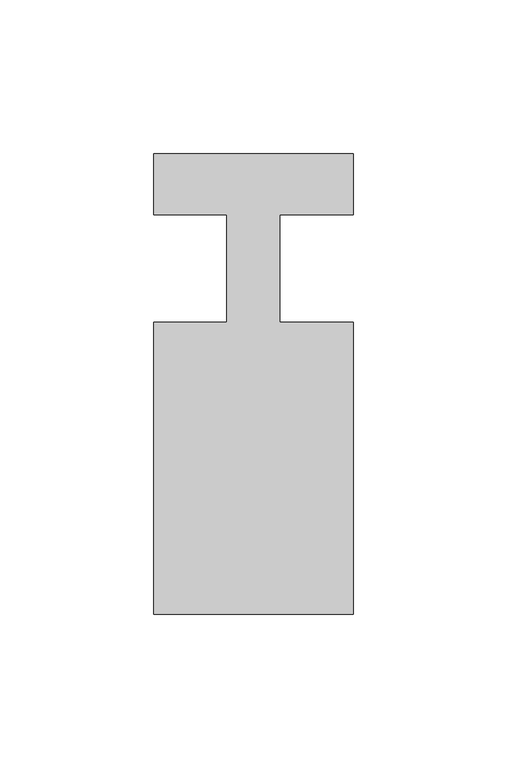
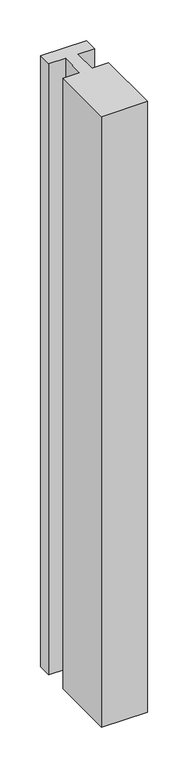
"""IFC4 building model written with IfcOpenShell, lengths in millimetres: member geometry."""

from ifc_helpers import new_model, si_unit, frame, origin, place, context, project, spatial, polyline, outline, extrude, source, transform, mapped, element, save


def member_8c54c4ff(model_context):
    return source(origin(), model_context, "Body", "SweptSolid", [
        extrude(outline(polyline([(-32.5, 37.0), (32.5, 37.0), (32.5, 17.0), (8.6875, 17.0), (8.6875, -18.0), (32.5, -18.0), (32.5, -113.0), (-32.5, -113.0), (-32.5, -18.0), (-8.6875, -18.0), (-8.6875, 17.0), (-32.5, 17.0), (-32.5, 37.0)])), frame((0.0, 0.0, -916.1875), z_axis=(0.0, 0.0, 1.0), x_axis=(1.0, 0.0, 0.0)), (0.0, 0.0, 1.0), 916.1875),
    ])


if __name__ == "__main__":
    model = new_model("IFC4")
    model_context = context("Model", 3, world=origin())
    ifc_project = project(units=[si_unit("LENGTHUNIT", "METRE", prefix="MILLI")], contexts=[model_context])
    site = spatial("IfcSite", under=ifc_project)
    building = spatial("IfcBuilding", under=site)
    placement = place(None, origin())
    member_shape = member_8c54c4ff(model_context)
    element("IfcMember", 1, at=placement, inside=building, context=model_context, shape_type="MappedRepresentation", body=[
        mapped(member_shape, transform((0.0, 0.0, 0.0), x_axis=(1.0, 0.0, 0.0), y_axis=(0.0, 1.0, 0.0), z_axis=(0.0, 0.0, 1.0))),
    ])
    save(model, "model.ifc")
